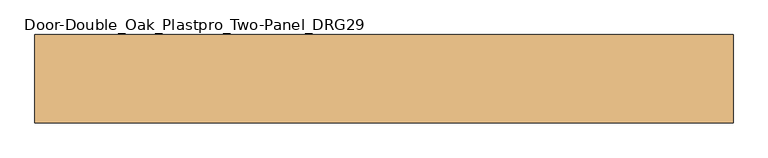
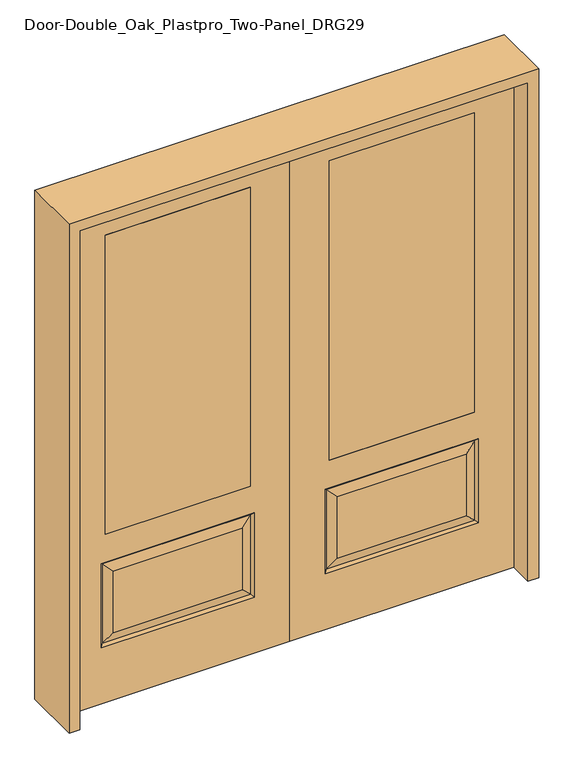
"""IFC4 building model written with IfcOpenShell, lengths in millimetres: door geometry, Door-Double_Oak_Plastpro_Two-Panel_DRG29."""

from ifc_helpers import new_model, si_unit, frame, origin, place, context, project, spatial, polyline, outline, extrude, faceted_brep, source, transform, mapped, element, save


def door_double_oak_plastpro_two_panel_drg29_dff0f078(model_context):
    return source(origin(), model_context, "Body", "SolidModel", [
        extrude(outline(polyline([(711.2, -20.6375), (152.4, -20.6375), (152.4, 20.6375), (711.2, 20.6375), (711.2, -20.6375)])), frame((0.0, 0.0, 685.8), z_axis=(0.0, 0.0, 1.0), x_axis=(1.0, 0.0, 0.0)), (0.0, 0.0, 1.0), 1219.2),
        faceted_brep([(680.9224548, -20.6375, 274.7525452), (680.9224548, -20.6375, 525.3474548), (182.6775452, -20.6375, 525.3474548), (182.6775452, -20.6375, 274.7525452), (0.0, -20.6375, 2032.0), (0.0, -20.6375, 0.0), (863.6, -20.6375, 0.0), (863.6, -20.6375, 2032.0), (136.6400452, -20.6375, 228.7150452), (136.6400452, -20.6375, 571.3849548), (726.9599548, -20.6375, 571.3849548), (726.9599548, -20.6375, 228.7150452), (711.2, -20.6375, 1905.0), (711.2, -20.6375, 685.8), (152.4, -20.6375, 685.8), (152.4, -20.6375, 1905.0), (711.2, 20.6375, 1905.0), (711.2, 20.6375, 685.8), (152.4, 20.6375, 685.8), (182.6775452, 20.6375, 274.7525452), (182.6775452, 20.6375, 525.3474548), (680.9224548, 20.6375, 525.3474548), (680.9224548, 20.6375, 274.7525452), (863.6, 20.6375, 2032.0), (863.6, 20.6375, 0.0), (0.0, 20.6375, 0.0), (0.0, 20.6375, 2032.0), (726.9599548, 20.6375, 228.7150452), (726.9599548, 20.6375, 571.3849548), (136.6400452, 20.6375, 571.3849548), (136.6400452, 20.6375, 228.7150452), (152.4, 20.6375, 1905.0), (145.6203014, -11.6572439, 237.6953014), (717.9796986, -11.6572439, 237.6953014), (717.9796986, -11.6572439, 562.4046986), (145.6203014, -11.6572439, 562.4046986), (145.6203014, 11.6572439, 237.6953014), (717.9796986, 11.6572439, 237.6953014), (717.9796986, 11.6572439, 562.4046986), (145.6203014, 11.6572439, 562.4046986)], [[[0, 1, 2, 3]], [[4, 5, 6, 7], [8, 9, 10, 11], [12, 13, 14, 15]], [[16, 17, 13, 12]], [[17, 18, 14, 13]], [[19, 20, 21, 22]], [[23, 24, 25, 26], [27, 28, 29, 30], [31, 18, 17, 16]], [[15, 14, 18, 31]], [[6, 5, 25, 24]], [[7, 6, 24, 23]], [[26, 25, 5, 4]], [[32, 8, 11, 33]], [[11, 10, 34, 33]], [[10, 9, 35, 34]], [[32, 35, 9, 8]], [[33, 0, 3, 32]], [[3, 2, 35, 32]], [[34, 35, 2, 1]], [[33, 34, 1, 0]], [[36, 19, 22, 37]], [[22, 21, 38, 37]], [[21, 20, 39, 38]], [[36, 39, 20, 19]], [[37, 27, 30, 36]], [[30, 29, 39, 36]], [[38, 39, 29, 28]], [[37, 38, 28, 27]], [[12, 15, 31, 16]], [[7, 23, 26, 4]]]),
        extrude(outline(polyline([(-711.2, -20.6375), (-711.2, 20.6375), (-152.4, 20.6375), (-152.4, -20.6375), (-711.2, -20.6375)])), frame((0.0, 0.0, 685.8), z_axis=(0.0, 0.0, 1.0), x_axis=(1.0, 0.0, 0.0)), (0.0, 0.0, 1.0), 1219.2),
        faceted_brep([(-680.9224548, -20.6375, 274.7525452), (-182.6775452, -20.6375, 274.7525452), (-182.6775452, -20.6375, 525.3474548), (-680.9224548, -20.6375, 525.3474548), (0.0, -20.6375, 2032.0), (-863.6, -20.6375, 2032.0), (-863.6, -20.6375, 0.0), (0.0, -20.6375, 0.0), (-136.6400452, -20.6375, 228.7150452), (-726.9599548, -20.6375, 228.7150452), (-726.9599548, -20.6375, 571.3849548), (-136.6400452, -20.6375, 571.3849548), (-711.2, -20.6375, 1905.0), (-152.4, -20.6375, 1905.0), (-152.4, -20.6375, 685.8), (-711.2, -20.6375, 685.8), (-711.2, 20.6375, 1905.0), (-711.2, 20.6375, 685.8), (-152.4, 20.6375, 685.8), (-182.6775452, 20.6375, 274.7525452), (-680.9224548, 20.6375, 274.7525452), (-680.9224548, 20.6375, 525.3474548), (-182.6775452, 20.6375, 525.3474548), (-863.6, 20.6375, 2032.0), (0.0, 20.6375, 2032.0), (0.0, 20.6375, 0.0), (-863.6, 20.6375, 0.0), (-726.9599548, 20.6375, 228.7150452), (-136.6400452, 20.6375, 228.7150452), (-136.6400452, 20.6375, 571.3849548), (-726.9599548, 20.6375, 571.3849548), (-152.4, 20.6375, 1905.0), (-145.6203014, -11.6572439, 237.6953014), (-717.9796986, -11.6572439, 237.6953014), (-717.9796986, -11.6572439, 562.4046986), (-145.6203014, -11.6572439, 562.4046986), (-145.6203014, 11.6572439, 237.6953014), (-717.9796986, 11.6572439, 237.6953014), (-717.9796986, 11.6572439, 562.4046986), (-145.6203014, 11.6572439, 562.4046986)], [[[0, 1, 2, 3]], [[4, 5, 6, 7], [8, 9, 10, 11], [12, 13, 14, 15]], [[16, 12, 15, 17]], [[17, 15, 14, 18]], [[19, 20, 21, 22]], [[23, 24, 25, 26], [27, 28, 29, 30], [31, 16, 17, 18]], [[13, 31, 18, 14]], [[6, 26, 25, 7]], [[5, 23, 26, 6]], [[24, 4, 7, 25]], [[32, 33, 9, 8]], [[9, 33, 34, 10]], [[10, 34, 35, 11]], [[32, 8, 11, 35]], [[33, 32, 1, 0]], [[1, 32, 35, 2]], [[34, 3, 2, 35]], [[33, 0, 3, 34]], [[36, 37, 20, 19]], [[20, 37, 38, 21]], [[21, 38, 39, 22]], [[36, 19, 22, 39]], [[37, 36, 28, 27]], [[28, 36, 39, 29]], [[38, 30, 29, 39]], [[37, 27, 30, 38]], [[12, 16, 31, 13]], [[5, 4, 24, 23]]]),
        extrude(outline(polyline([(2073.275, -904.875), (0.0, -904.875), (0.0, -863.6), (2032.0, -863.6), (2032.0, 863.6), (0.0, 863.6), (0.0, 904.875), (2073.275, 904.875), (2073.275, -904.875)])), frame((0.0, -114.3, 0.0), z_axis=(0.0, 1.0, 0.0), x_axis=(0.0, 0.0, 1.0)), (0.0, 0.0, 1.0), 228.6),
    ])


if __name__ == "__main__":
    model = new_model("IFC4")
    model_context = context("Model", 3, world=origin())
    ifc_project = project(units=[si_unit("LENGTHUNIT", "METRE", prefix="MILLI")], contexts=[model_context])
    site = spatial("IfcSite", under=ifc_project)
    building = spatial("IfcBuilding", under=site)
    placement = place(None, origin())
    door_double_oak_plastpro_two_panel_drg29_shape = door_double_oak_plastpro_two_panel_drg29_dff0f078(model_context)
    element("IfcDoor", 1, ObjectType="Door-Double_Oak_Plastpro_Two-Panel_DRG29", at=placement, inside=building, context=model_context, shape_type="MappedRepresentation", body=[
        mapped(door_double_oak_plastpro_two_panel_drg29_shape, transform((0.0, 0.0, 0.0), x_axis=(1.0, 0.0, 0.0), y_axis=(0.0, 1.0, 0.0), z_axis=(0.0, 0.0, 1.0))),
    ])
    save(model, "model.ifc")
